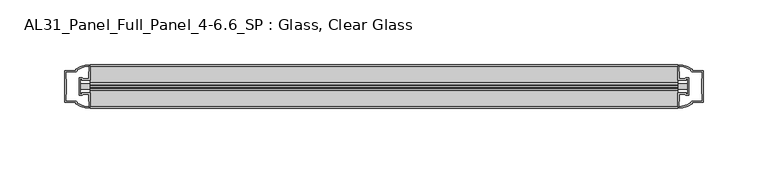
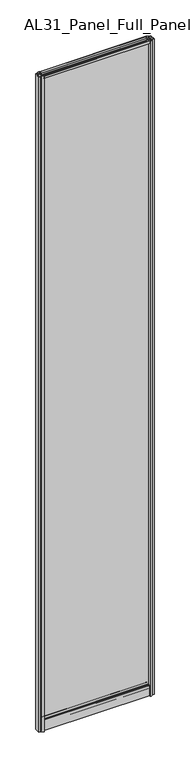
"""IFC4 building model written with IfcOpenShell, lengths in millimetres: plate geometry, AL31_Panel_Full_Panel_4-6.6_SP : Glass, Clear Glass."""

from ifc_helpers import new_model, si_unit, point, frame, frame_2d, origin, origin_with_axes, place, context, project, spatial, polyline, circle_curve, trimmed, segment, composite_curve, outline, extrude, source, transform, mapped, element, save


def al31_panel_full_panel_4_6_6_sp_glass_clear_glass_01a4835a(model_context):
    return source(origin(), model_context, "Body", "SweptSolid", [
        extrude(outline(composite_curve([segment(trimmed(circle_curve(frame_2d((-0.1, 2966.3)), 3.0), [point((1.4, 2968.8980762))], [point((2.3718414, 2964.6))], False, "CARTESIAN"), True, "CONTINUOUS"), segment(polyline([(2.3718414, 2964.6), (15.7, 2964.6), (15.7, 2974.0), (17.0, 2974.0), (17.0, 2963.5), (6.7024688, 2963.5), (6.7024688, 2962.7), (6.1968782, 2960.7785039), (6.1968782, 2956.1), (5.0, 2956.1), (5.0, 2961.4339746), (5.5, 2962.3), (5.5, 2963.5), (-5.5, 2963.5), (-5.5, 2962.3), (-5.0, 2961.4339746), (-5.0, 2956.1), (-6.1968782, 2956.1), (-6.1968782, 2960.7785039), (-6.7024688, 2962.7), (-6.7024688, 2963.5), (-17.0, 2963.5), (-17.0, 2974.0), (-15.7, 2974.0), (-15.7, 2964.6), (-2.5718414, 2964.6)]), True, "CONTINUOUS"), segment(trimmed(circle_curve(frame_2d((-0.1, 2966.3)), 3.0), [point((-2.5718414, 2964.6))], [point((-1.6, 2968.8980762))], False, "CARTESIAN"), True, "CONTINUOUS"), segment(polyline([(-1.6, 2968.8980762), (-1.05, 2967.9454483)]), True, "CONTINUOUS"), segment(trimmed(circle_curve(frame_2d((-0.1, 2966.3)), 1.9), [point((-1.05, 2967.9454483))], [point((0.85, 2967.9454483))], True, "CARTESIAN"), True, "CONTINUOUS"), segment(polyline([(0.85, 2967.9454483), (1.4, 2968.8980762)]), True, "CONTINUOUS")], self_intersect=False)), frame((-227.5000505, 0.0, 0.0), z_axis=(1.0, 0.0, 0.0), x_axis=(0.0, 1.0, 0.0)), (0.0, 0.0, 1.0), 455.0001009),
        extrude(outline(composite_curve([segment(polyline([(-235.3414718, 5.9), (-235.3414718, -5.9), (-234.1414718, -5.9), (-234.1414718, -5.0), (-227.5000505, -5.0), (-227.5000505, -17.0003314)]), True, "CONTINUOUS"), segment(trimmed(circle_curve(frame_2d((-227.1353989, 2.9963441)), 20.0), [point((-227.5000505, -17.0003314))], [point((-238.8558857, -13.2095249))], False, "CARTESIAN"), True, "CONTINUOUS"), segment(polyline([(-238.8558857, -13.2095249), (-238.8558857, -12.3720657), (-247.5000505, -12.3720657), (-247.5000505, 12.3279343), (-238.8558857, 12.3279343), (-238.8558857, 13.2093388)]), True, "CONTINUOUS"), segment(trimmed(circle_curve(frame_2d((-227.1353989, -2.9965302)), 20.0), [point((-238.8558857, 13.2093388))], [point((-227.5000505, 17.0001453))], False, "CARTESIAN"), True, "CONTINUOUS"), segment(polyline([(-227.5000505, 17.0001453), (-227.5000505, 5.0), (-234.1414718, 5.0), (-234.1414718, 5.9), (-235.3414718, 5.9)]), True, "CONTINUOUS")], self_intersect=False), holes=[composite_curve([segment(polyline([(-234.3414718, -7.2), (-236.6414718, -7.2), (-236.6414718, 7.2), (-234.3414718, 7.2)]), True, "CONTINUOUS"), segment(trimmed(circle_curve(frame_2d((-234.3414718, 5.7)), 1.5), [point((-234.3414718, 7.2))], [point((-232.9663201, 6.2991308))], False, "CARTESIAN"), True, "CONTINUOUS"), segment(polyline([(-232.9663201, 6.2991308), (-229.2414718, 6.2991308), (-229.2414718, 10.8950916), (-228.802132, 11.9557518), (-228.802132, 15.6058503)]), True, "CONTINUOUS"), segment(trimmed(circle_curve(frame_2d((-227.1353989, -3.0197235)), 18.7), [point((-228.802132, 15.6058503))], [point((-237.1421766, 12.7775673))], True, "CARTESIAN"), True, "CONTINUOUS"), segment(trimmed(circle_curve(frame_2d((-238.9414718, 12.8279343)), 1.8), [point((-237.1421766, 12.7775673))], [point((-238.9414718, 11.0279343))], False, "CARTESIAN"), True, "CONTINUOUS"), segment(polyline([(-238.9414718, 11.0279343), (-246.1414718, 11.0279343), (-246.1414718, 6.3879987), (-245.6414718, 5.3950916), (-245.6414718, -5.439223), (-246.0828931, -6.5019606), (-246.0828931, -11.0720657), (-238.9414718, -11.0720657)]), True, "CONTINUOUS"), segment(trimmed(circle_curve(frame_2d((-238.9414718, -12.8720657)), 1.8), [point((-238.9414718, -11.0720657))], [point((-237.1421766, -12.8216987))], False, "CARTESIAN"), True, "CONTINUOUS"), segment(trimmed(circle_curve(frame_2d((-227.1353989, 2.9755921)), 18.7), [point((-237.1421766, -12.8216987))], [point((-228.802132, -15.6499817))], True, "CARTESIAN"), True, "CONTINUOUS"), segment(polyline([(-228.802132, -15.6499817), (-228.802132, -11.9998832), (-229.2414718, -10.939223), (-229.2414718, -6.3428731), (-232.9862175, -6.3428731)]), True, "CONTINUOUS"), segment(trimmed(circle_curve(frame_2d((-234.3414718, -5.7)), 1.5), [point((-232.9862175, -6.3428731))], [point((-234.3414718, -7.2))], False, "CARTESIAN"), True, "CONTINUOUS")], self_intersect=False)]), origin_with_axes(), (0.0, 0.0, 1.0), 2974.0),
        extrude(outline(composite_curve([segment(polyline([(235.3414718, -5.9), (235.3414718, 5.9), (234.1414718, 5.9), (234.1414718, 5.0), (227.5000505, 5.0), (227.5000505, 17.0003314)]), True, "CONTINUOUS"), segment(trimmed(circle_curve(frame_2d((227.1353989, -2.9963441)), 20.0), [point((227.5000505, 17.0003314))], [point((238.8558857, 13.2095249))], False, "CARTESIAN"), True, "CONTINUOUS"), segment(polyline([(238.8558857, 13.2095249), (238.8558857, 12.3720657), (247.5000505, 12.3720657), (247.5000505, -12.3279343), (238.8558857, -12.3279343), (238.8558857, -13.2093388)]), True, "CONTINUOUS"), segment(trimmed(circle_curve(frame_2d((227.1353989, 2.9965302)), 20.0), [point((238.8558857, -13.2093388))], [point((227.5000505, -17.0001453))], False, "CARTESIAN"), True, "CONTINUOUS"), segment(polyline([(227.5000505, -17.0001453), (227.5000505, -5.0), (234.1414718, -5.0), (234.1414718, -5.9), (235.3414718, -5.9)]), True, "CONTINUOUS")], self_intersect=False), holes=[composite_curve([segment(polyline([(234.3414718, 7.2), (236.6414718, 7.2), (236.6414718, -7.2), (234.3414718, -7.2)]), True, "CONTINUOUS"), segment(trimmed(circle_curve(frame_2d((234.3414718, -5.7)), 1.5), [point((234.3414718, -7.2))], [point((232.9663201, -6.2991308))], False, "CARTESIAN"), True, "CONTINUOUS"), segment(polyline([(232.9663201, -6.2991308), (229.2414718, -6.2991308), (229.2414718, -10.8950916), (228.802132, -11.9557518), (228.802132, -15.6058503)]), True, "CONTINUOUS"), segment(trimmed(circle_curve(frame_2d((227.1353989, 3.0197235)), 18.7), [point((228.802132, -15.6058503))], [point((237.1421766, -12.7775673))], True, "CARTESIAN"), True, "CONTINUOUS"), segment(trimmed(circle_curve(frame_2d((238.9414718, -12.8279343)), 1.8), [point((237.1421766, -12.7775673))], [point((238.9414718, -11.0279343))], False, "CARTESIAN"), True, "CONTINUOUS"), segment(polyline([(238.9414718, -11.0279343), (246.1414718, -11.0279343), (246.1414718, -6.3879987), (245.6414718, -5.3950916), (245.6414718, 5.439223), (246.0828931, 6.5019606), (246.0828931, 11.0720657), (238.9414718, 11.0720657)]), True, "CONTINUOUS"), segment(trimmed(circle_curve(frame_2d((238.9414718, 12.8720657)), 1.8), [point((238.9414718, 11.0720657))], [point((237.1421766, 12.8216987))], False, "CARTESIAN"), True, "CONTINUOUS"), segment(trimmed(circle_curve(frame_2d((227.1353989, -2.9755921)), 18.7), [point((237.1421766, 12.8216987))], [point((228.802132, 15.6499817))], True, "CARTESIAN"), True, "CONTINUOUS"), segment(polyline([(228.802132, 15.6499817), (228.802132, 11.9998832), (229.2414718, 10.939223), (229.2414718, 6.3428731), (232.9862175, 6.3428731)]), True, "CONTINUOUS"), segment(trimmed(circle_curve(frame_2d((234.3414718, 5.7)), 1.5), [point((232.9862175, 6.3428731))], [point((234.3414718, 7.2))], False, "CARTESIAN"), True, "CONTINUOUS")], self_intersect=False)]), origin_with_axes(), (0.0, 0.0, 1.0), 2974.0),
        extrude(outline(composite_curve([segment(polyline([(8.4, 35.8), (-8.4, 35.8)]), True, "CONTINUOUS"), segment(trimmed(circle_curve(frame_2d((-8.4, 34.8)), 1.0), [point((-8.4, 35.8))], [point((-9.4, 34.8))], True, "CARTESIAN"), True, "CONTINUOUS"), segment(polyline([(-9.4, 34.8), (-9.4, 33.5), (-4.9999697, 33.5), (-4.9999697, 32.3), (-9.4, 32.3), (-9.4, 0.0), (-10.6, 0.0), (-10.6, 47.3)]), True, "CONTINUOUS"), segment(trimmed(circle_curve(frame_2d((-8.6, 47.3)), 2.0), [point((-10.6, 47.3))], [point((-8.6, 49.3))], False, "CARTESIAN"), True, "CONTINUOUS"), segment(polyline([(-8.6, 49.3), (-5.0, 49.3), (-5.0, 41.9), (5.0, 41.9), (5.0, 49.3), (8.6, 49.3)]), True, "CONTINUOUS"), segment(trimmed(circle_curve(frame_2d((8.6, 47.3)), 2.0), [point((8.6, 49.3))], [point((10.6, 47.3))], False, "CARTESIAN"), True, "CONTINUOUS"), segment(polyline([(10.6, 47.3), (10.6, 0.0), (9.4, 0.0), (9.4, 32.3), (5.0000303, 32.3), (5.0000303, 33.5), (9.4, 33.5), (9.4, 34.8)]), True, "CONTINUOUS"), segment(trimmed(circle_curve(frame_2d((8.4, 34.8)), 1.0), [point((9.4, 34.8))], [point((8.4, 35.8))], True, "CARTESIAN"), True, "CONTINUOUS")], self_intersect=False), holes=[composite_curve([segment(polyline([(-6.5024688, 41.8), (-6.5024688, 42.9)]), True, "CONTINUOUS"), segment(trimmed(circle_curve(frame_2d((-5.3024688, 42.9)), 1.2), [point((-6.5024688, 42.9))], [point((-6.1198184, 43.7786009))], False, "CARTESIAN"), True, "CONTINUOUS"), segment(polyline([(-6.1198184, 43.7786009), (-6.1198184, 48.2), (-8.4, 48.2)]), True, "CONTINUOUS"), segment(trimmed(circle_curve(frame_2d((-8.4, 47.2)), 1.0), [point((-8.4, 48.2))], [point((-9.4, 47.2))], True, "CARTESIAN"), True, "CONTINUOUS"), segment(polyline([(-9.4, 47.2), (-9.4, 37.04), (-2.8008965, 37.04), (-2.8008965, 38.0725806), (-1.8370508, 38.0725806)]), True, "CONTINUOUS"), segment(trimmed(circle_curve(frame_2d((0.0, 39.1)), 2.1048387), [point((-1.8370508, 38.0725806))], [point((1.8370508, 38.0725806))], True, "CARTESIAN"), True, "CONTINUOUS"), segment(polyline([(1.8370508, 38.0725806), (2.8008965, 38.0725806), (2.8008965, 37.04), (9.4, 37.04), (9.4, 47.2)]), True, "CONTINUOUS"), segment(trimmed(circle_curve(frame_2d((8.4, 47.2)), 1.0), [point((9.4, 47.2))], [point((8.4, 48.2))], True, "CARTESIAN"), True, "CONTINUOUS"), segment(polyline([(8.4, 48.2), (6.1198184, 48.2), (6.1198184, 43.5786009)]), True, "CONTINUOUS"), segment(trimmed(circle_curve(frame_2d((5.3024688, 42.7)), 1.2), [point((6.1198184, 43.5786009))], [point((6.5024688, 42.7))], False, "CARTESIAN"), True, "CONTINUOUS"), segment(polyline([(6.5024688, 42.7), (6.5024688, 41.8)]), True, "CONTINUOUS"), segment(trimmed(circle_curve(frame_2d((5.5024688, 41.8)), 1.0), [point((6.5024688, 41.8))], [point((5.5024688, 40.8))], False, "CARTESIAN"), True, "CONTINUOUS"), segment(polyline([(5.5024688, 40.8), (2.8008965, 40.8), (2.8008965, 39.7274194), (1.8370508, 39.7274194)]), True, "CONTINUOUS"), segment(trimmed(circle_curve(frame_2d((0.0, 38.7)), 2.1048387), [point((1.8370508, 39.7274194))], [point((-1.8370508, 39.7274194))], True, "CARTESIAN"), True, "CONTINUOUS"), segment(polyline([(-1.8370508, 39.7274194), (-2.8008965, 39.7274194), (-2.8008965, 40.8), (-5.5024688, 40.8)]), True, "CONTINUOUS"), segment(trimmed(circle_curve(frame_2d((-5.5024688, 41.8)), 1.0), [point((-5.5024688, 40.8))], [point((-6.5024688, 41.8))], False, "CARTESIAN"), True, "CONTINUOUS")], self_intersect=False)]), frame((-227.5000505, 0.0, 0.0), z_axis=(1.0, 0.0, 0.0), x_axis=(0.0, 1.0, 0.0)), (0.0, 0.0, 1.0), 455.0001009),
        extrude(outline(polyline([(235.3414718, -2.0), (-235.3414718, -2.0), (-235.3414718, 2.0), (235.3414718, 2.0), (235.3414718, -2.0)])), frame((0.0, 0.0, 41.9), z_axis=(0.0, 0.0, 1.0), x_axis=(1.0, 0.0, 0.0)), (0.0, 0.0, 1.0), 2921.6),
    ])


if __name__ == "__main__":
    model = new_model("IFC4")
    model_context = context("Model", 3, world=origin())
    ifc_project = project(units=[si_unit("LENGTHUNIT", "METRE", prefix="MILLI")], contexts=[model_context])
    site = spatial("IfcSite", under=ifc_project)
    building = spatial("IfcBuilding", under=site)
    placement = place(None, origin())
    al31_panel_full_panel_4_6_6_sp_glass_clear_glass_shape = al31_panel_full_panel_4_6_6_sp_glass_clear_glass_01a4835a(model_context)
    element("IfcPlate", 1, ObjectType="AL31_Panel_Full_Panel_4-6.6_SP : Glass, Clear Glass", at=placement, inside=building, context=model_context, shape_type="MappedRepresentation", body=[
        mapped(al31_panel_full_panel_4_6_6_sp_glass_clear_glass_shape, transform((0.0, 0.0, 0.0), x_axis=(1.0, 0.0, 0.0), y_axis=(0.0, 1.0, 0.0), z_axis=(0.0, 0.0, 1.0))),
    ])
    save(model, "model.ifc")
